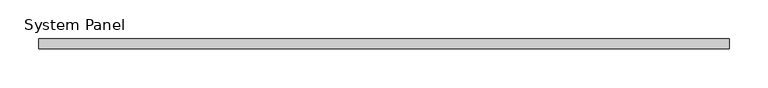
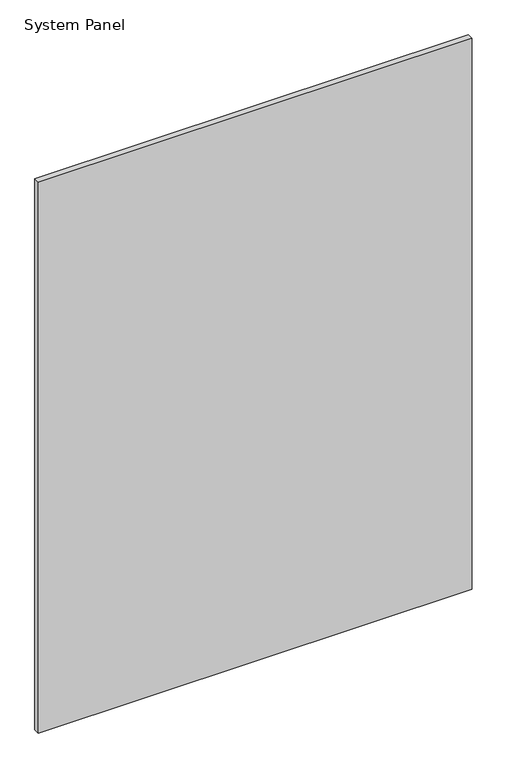
"""IFC4 building model written with IfcOpenShell, lengths in millimetres: plate geometry, System Panel."""

from ifc_helpers import new_model, si_unit, origin, origin_with_axes, place, context, project, spatial, polyline, outline, extrude, source, transform, mapped, element, save


def system_panel_eb68b3b1(model_context):
    return source(origin(), model_context, "Body", "SweptSolid", [
        extrude(outline(polyline([(444.5000002, -12.7), (-444.5000002, -12.7), (-444.5000002, 0.0), (444.5000002, 0.0), (444.5000002, -12.7)])), origin_with_axes(), (0.0, 0.0, 1.0), 1193.8),
    ])


if __name__ == "__main__":
    model = new_model("IFC4")
    model_context = context("Model", 3, world=origin())
    ifc_project = project(units=[si_unit("LENGTHUNIT", "METRE", prefix="MILLI")], contexts=[model_context])
    site = spatial("IfcSite", under=ifc_project)
    building = spatial("IfcBuilding", under=site)
    placement = place(None, origin())
    system_panel_shape = system_panel_eb68b3b1(model_context)
    element("IfcPlate", 1, ObjectType="System Panel", at=placement, inside=building, context=model_context, shape_type="MappedRepresentation", body=[
        mapped(system_panel_shape, transform((0.0, 0.0, 0.0), x_axis=(1.0, 0.0, 0.0), y_axis=(0.0, 1.0, 0.0), z_axis=(0.0, 0.0, 1.0))),
    ])
    save(model, "model.ifc")
